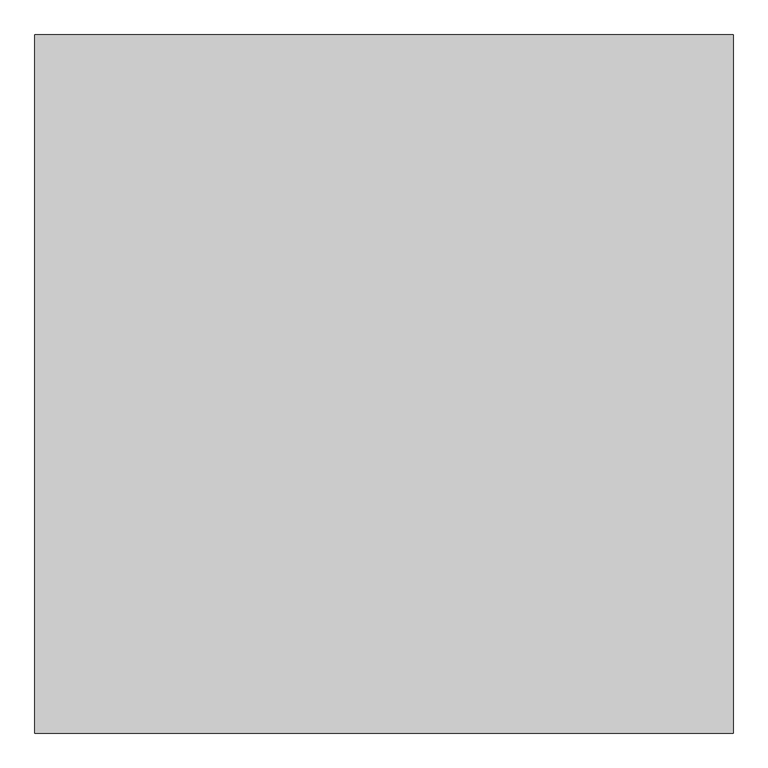
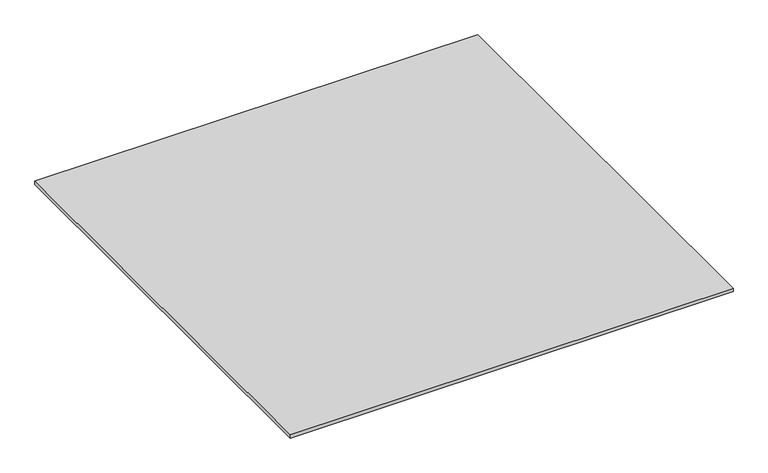
"""IFC4 building model written with IfcOpenShell, lengths in millimetres: proxy geometry."""

from ifc_helpers import new_model, si_unit, origin, origin_with_axes, place, context, project, spatial, polyline, outline, extrude, source, transform, mapped, element, save


def generic_models_6df84a37(model_context):
    return source(origin(), model_context, "Body", "SweptSolid", [
        extrude(outline(polyline([(20000.0, -20000.0), (0.0, -20000.0), (0.0, 0.0), (20000.0, 0.0), (20000.0, -20000.0)])), origin_with_axes(), (0.0, 0.0, 1.0), 150.0),
    ])


if __name__ == "__main__":
    model = new_model("IFC4")
    model_context = context("Model", 3, world=origin())
    ifc_project = project(units=[si_unit("LENGTHUNIT", "METRE", prefix="MILLI")], contexts=[model_context])
    site = spatial("IfcSite", under=ifc_project)
    building = spatial("IfcBuilding", under=site)
    placement = place(None, origin())
    generic_models_shape = generic_models_6df84a37(model_context)
    element("IfcBuildingElementProxy", 1, Name="Generic Models", at=placement, inside=building, context=model_context, shape_type="MappedRepresentation", body=[
        mapped(generic_models_shape, transform((0.0, 0.0, 0.0), x_axis=(1.0, 0.0, 0.0), y_axis=(0.0, 1.0, 0.0), z_axis=(0.0, 0.0, 1.0))),
    ])
    save(model, "model.ifc")
